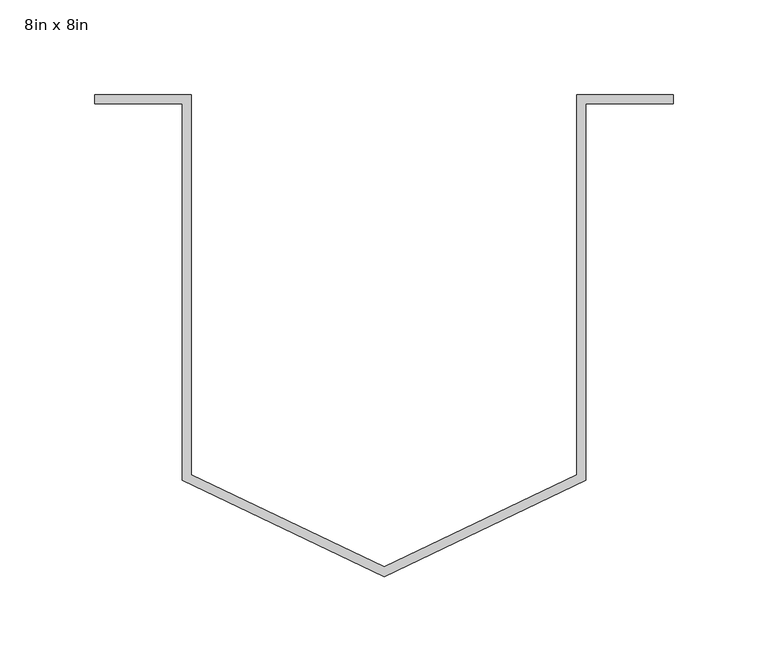
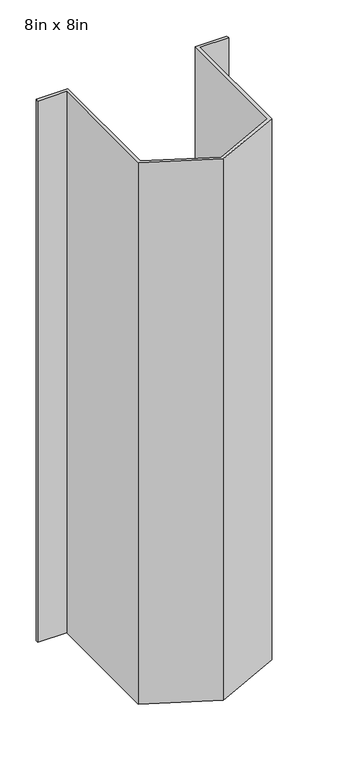
"""IFC4 building model written with IfcOpenShell, lengths in millimetres: proxy geometry, 8in x 8in."""

from ifc_helpers import new_model, si_unit, origin, origin_with_axes, place, context, project, spatial, polyline, outline, extrude, source, transform, mapped, element, save


def proxy_8in_x_8in_ddce05b4(model_context):
    return source(origin(), model_context, "Body", "SweptSolid", [
        extrude(outline(polyline([(101.6, 101.6), (152.4, 101.6), (152.4, 96.8375), (106.3625, 96.8375), (106.3625, -101.6), (0.0, -152.4), (-106.3625, -101.6), (-106.3625, 96.8375), (-152.4, 96.8375), (-152.4, 101.6), (-101.6, 101.6), (-101.6, -98.5968116), (0.0, -147.1221848), (101.6, -98.5968116), (101.6, 101.6)])), origin_with_axes(), (0.0, 0.0, 1.0), 914.4),
    ])


if __name__ == "__main__":
    model = new_model("IFC4")
    model_context = context("Model", 3, world=origin())
    ifc_project = project(units=[si_unit("LENGTHUNIT", "METRE", prefix="MILLI")], contexts=[model_context])
    site = spatial("IfcSite", under=ifc_project)
    building = spatial("IfcBuilding", under=site)
    placement = place(None, origin())
    proxy_8in_x_8in_shape = proxy_8in_x_8in_ddce05b4(model_context)
    element("IfcBuildingElementProxy", 1, Name="8in x 8in", ObjectType="8in x 8in", at=placement, inside=building, context=model_context, shape_type="MappedRepresentation", body=[
        mapped(proxy_8in_x_8in_shape, transform((0.0, 0.0, 0.0), x_axis=(1.0, 0.0, 0.0), y_axis=(0.0, 1.0, 0.0), z_axis=(0.0, 0.0, 1.0))),
    ])
    save(model, "model.ifc")
